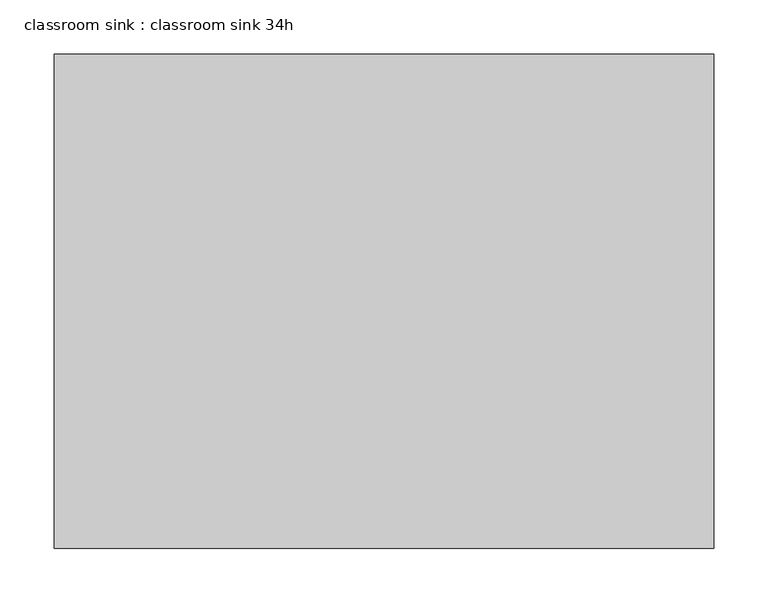
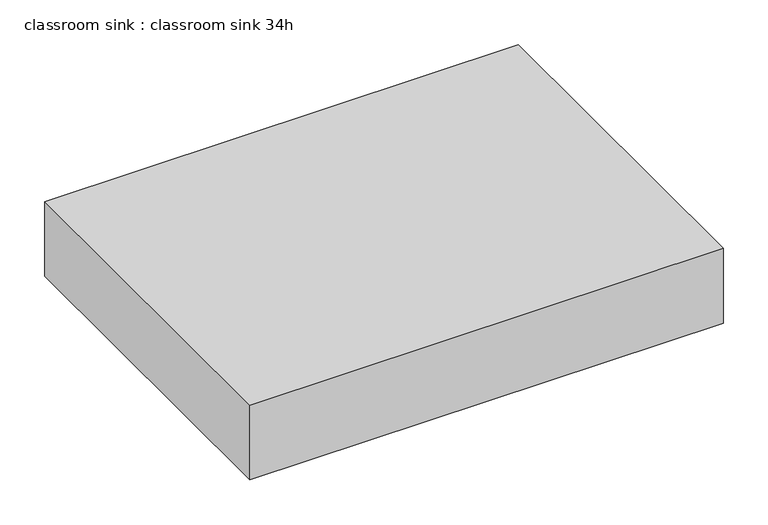
"""IFC4 building model written with IfcOpenShell, lengths in millimetres: flow terminal geometry, classroom sink : classroom sink 34h."""

from ifc_helpers import new_model, si_unit, frame, origin, place, context, project, spatial, polyline, outline, extrude, source, transform, mapped, element, save


def classroom_sink_classroom_sink_34h_5b413213(model_context):
    return source(origin(), model_context, "Body", "SweptSolid", [
        extrude(outline(polyline([(762.0, -50.8), (762.0, -508.0), (152.4, -508.0), (152.4, -50.8), (762.0, -50.8)])), frame((0.0, 0.0, 787.4), z_axis=(0.0, 0.0, 1.0), x_axis=(1.0, 0.0, 0.0)), (0.0, 0.0, 1.0), 101.6),
    ])


if __name__ == "__main__":
    model = new_model("IFC4")
    model_context = context("Model", 3, world=origin())
    ifc_project = project(units=[si_unit("LENGTHUNIT", "METRE", prefix="MILLI")], contexts=[model_context])
    site = spatial("IfcSite", under=ifc_project)
    building = spatial("IfcBuilding", under=site)
    placement = place(None, origin())
    classroom_sink_classroom_sink_34h_shape = classroom_sink_classroom_sink_34h_5b413213(model_context)
    element("IfcFlowTerminal", 1, ObjectType="classroom sink : classroom sink 34h", at=placement, inside=building, context=model_context, shape_type="MappedRepresentation", body=[
        mapped(classroom_sink_classroom_sink_34h_shape, transform((0.0, 0.0, 0.0), x_axis=(1.0, 0.0, 0.0), y_axis=(0.0, 1.0, 0.0), z_axis=(0.0, 0.0, 1.0))),
    ])
    save(model, "model.ifc")
